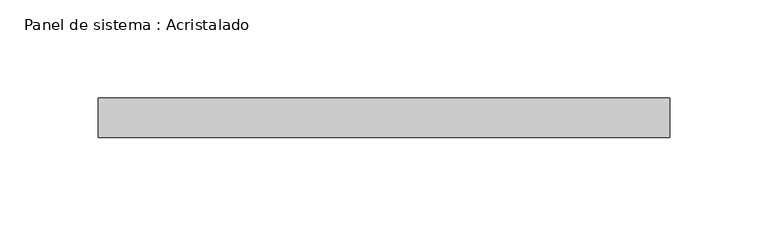
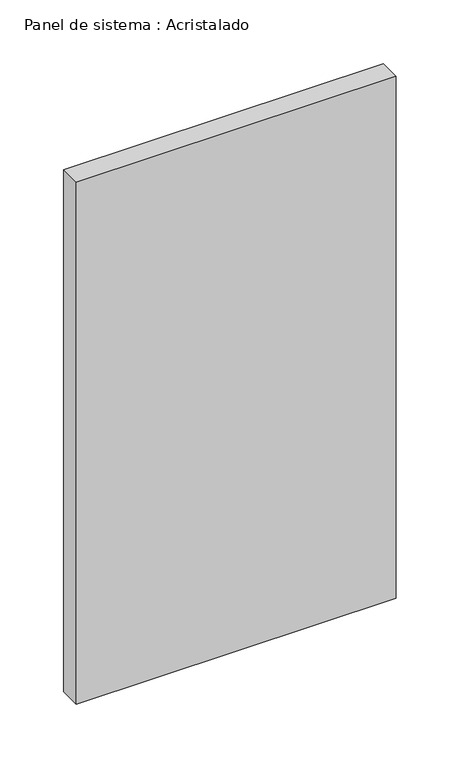
"""IFC4 building model written with IfcOpenShell, lengths in millimetres: plate geometry, Panel de sistema : Acristalado."""

import ifcopenshell
import ifcopenshell.guid

model = None  # the IFC model being written
_history = None  # IfcOwnerHistory: only IFC2X3 demands one
_inside = {}  # id of a spatial element -> (the spatial element, [elements in it])
_under = {}  # id of a project, library or spatial element -> (it, [spatial elements below it])
_declared = {}  # id of a project -> (the project, [libraries it declares])
_typed = {}  # id of a type object -> (the type object, [elements of that type])
_made_of = {}  # id of a material, layer set ... -> (it, [elements and type objects made of it])


def new_model(schema):
    """Start an empty IFC model of exactly this schema.

    Asked for "IFC4X3", IfcOpenShell would pick the latest addendum, in which some entities
    have other attributes; the version numbers below select the first issue.
    IFC2X3 requires an IfcOwnerHistory on every rooted entity: one is made here for all.
    """
    global model, _history
    if schema == "IFC4X3":
        model = ifcopenshell.file(schema_version=(4, 3, 0, 0))
    else:
        model = ifcopenshell.file(schema=schema)
    _inside.clear()
    _under.clear()
    _declared.clear()
    _typed.clear()
    _made_of.clear()
    _history = None
    if model.schema == "IFC2X3":
        org = make("IfcOrganization", Name="unknown")
        user = make(
            "IfcPersonAndOrganization",
            ThePerson=make("IfcPerson", FamilyName="unknown"),
            TheOrganization=org,
        )
        app = make(
            "IfcApplication",
            ApplicationDeveloper=org,
            Version="unknown",
            ApplicationFullName="unknown",
            ApplicationIdentifier="unknown",
        )
        _history = make(
            "IfcOwnerHistory",
            OwningUser=user,
            OwningApplication=app,
            ChangeAction="ADDED",
            CreationDate=0,
        )
    return model


def make(cls, **values):
    """One entity of the class cls with the attributes given. An attribute that is None is left unset."""
    return model.create_entity(
        cls, **{name: value for name, value in values.items() if value is not None}
    )


def rooted(cls, **values):
    """An entity with a GlobalId (a new one), such as an element, a storey or a relation."""
    return make(cls, GlobalId=ifcopenshell.guid.new(), OwnerHistory=_history, **values)


def si_unit(unit_type, name, prefix=None):
    """IfcSIUnit, for example si_unit("LENGTHUNIT", "METRE", prefix="MILLI")."""
    return make("IfcSIUnit", UnitType=unit_type, Prefix=prefix, Name=name)


def assignment(units):
    """IfcUnitAssignment: the units of a project."""
    return None if units is None else make("IfcUnitAssignment", Units=units)


def point(xyz):
    """IfcCartesianPoint."""
    return None if xyz is None else make("IfcCartesianPoint", Coordinates=xyz)


def direction(xyz):
    """IfcDirection."""
    return None if xyz is None else make("IfcDirection", DirectionRatios=xyz)


def frame(location, z_axis=None, x_axis=None):
    """IfcAxis2Placement3D, a coordinate frame: its origin and axes. An axis left out is left unset."""
    return make(
        "IfcAxis2Placement3D",
        Location=point(location),
        Axis=direction(z_axis),
        RefDirection=direction(x_axis),
    )


def origin():
    """The frame at (0, 0, 0) with its axes left unset."""
    return frame((0.0, 0.0, 0.0))


def origin_with_axes():
    """The frame at (0, 0, 0) with the z axis (0, 0, 1) and the x axis (1, 0, 0) written out."""
    return frame((0.0, 0.0, 0.0), z_axis=(0.0, 0.0, 1.0), x_axis=(1.0, 0.0, 0.0))


def place(relative_to, where):
    """IfcLocalPlacement: puts the frame where relative to a parent placement (None: the world)."""
    return make(
        "IfcLocalPlacement", PlacementRelTo=relative_to, RelativePlacement=where
    )


def context(
    kind, dimensions, precision=None, world=None, true_north=None, identifier=None
):
    """IfcGeometricRepresentationContext, for example the 3D "Model" context."""
    return make(
        "IfcGeometricRepresentationContext",
        ContextIdentifier=identifier,
        ContextType=kind,
        CoordinateSpaceDimension=dimensions,
        Precision=precision,
        WorldCoordinateSystem=world,
        TrueNorth=true_north,
    )


def project(units=None, contexts=None):
    """IfcProject with its units and contexts."""
    return rooted(
        "IfcProject",
        Name="project",
        RepresentationContexts=contexts,
        UnitsInContext=assignment(units),
    )


def spatial(cls, under=None, at=None, **own):
    """A site, building, storey or space (cls), placed at a placement, below another one or the project."""
    s = rooted(cls, ObjectPlacement=at, **own)
    if under is not None:
        _under.setdefault(under.id(), (under, []))[1].append(s)
    return s


def polyline(points):
    """IfcPolyline through the points."""
    return make("IfcPolyline", Points=[point(p) for p in points])


def outline(outer, holes=None, kind="AREA"):
    """IfcArbitraryClosedProfileDef: a profile drawn as a closed curve; with holes, ...WithVoids."""
    if holes is None:
        return make("IfcArbitraryClosedProfileDef", ProfileType=kind, OuterCurve=outer)
    return make(
        "IfcArbitraryProfileDefWithVoids",
        ProfileType=kind,
        OuterCurve=outer,
        InnerCurves=holes,
    )


def extrude(swept, where, along, depth):
    """IfcExtrudedAreaSolid: the profile swept, set in the frame where, extruded along a direction by depth."""
    return make(
        "IfcExtrudedAreaSolid",
        SweptArea=swept,
        Position=where,
        ExtrudedDirection=direction(along),
        Depth=depth,
    )


def shape(context_of_items, identifier, shape_type, items):
    """IfcShapeRepresentation: the items that make up one representation, for example the "Body"."""
    return make(
        "IfcShapeRepresentation",
        ContextOfItems=context_of_items,
        RepresentationIdentifier=identifier,
        RepresentationType=shape_type,
        Items=items,
    )


def source(mapping_origin, context_of_items, identifier, shape_type, items):
    """IfcRepresentationMap: a shape defined once, which mapped items show again and again."""
    return make(
        "IfcRepresentationMap",
        MappingOrigin=mapping_origin,
        MappedRepresentation=shape(context_of_items, identifier, shape_type, items),
    )


def transform(
    local_origin,
    x_axis=None,
    y_axis=None,
    z_axis=None,
    scale=None,
    scale2=None,
    scale3=None,
    uniform=True,
):
    """IfcCartesianTransformationOperator3D, or its non-uniform kind. x_axis, y_axis, z_axis: its Axis1, 2, 3."""
    if uniform:
        return make(
            "IfcCartesianTransformationOperator3D",
            Axis1=direction(x_axis),
            Axis2=direction(y_axis),
            LocalOrigin=point(local_origin),
            Scale=scale,
            Axis3=direction(z_axis),
        )
    return make(
        "IfcCartesianTransformationOperator3DnonUniform",
        Axis1=direction(x_axis),
        Axis2=direction(y_axis),
        LocalOrigin=point(local_origin),
        Scale=scale,
        Axis3=direction(z_axis),
        Scale2=scale2,
        Scale3=scale3,
    )


def mapped(mapping_source, mapping_target):
    """IfcMappedItem: shows the shape of a source again, moved by a transform."""
    return make(
        "IfcMappedItem", MappingSource=mapping_source, MappingTarget=mapping_target
    )


def made_of(thing, what):
    """Note that an element or type object is made of a material, layer set ...; save() writes the relation."""
    if what is not None:
        _made_of.setdefault(what.id(), (what, []))[1].append(thing)
    return thing


def element(
    cls,
    number,
    at=None,
    inside=None,
    cuts=None,
    type_object=None,
    material=None,
    context=None,
    identifier="Body",
    shape_type=None,
    held_by="IfcProductDefinitionShape",
    body=None,
    shapes=None,
    **own,
):
    """One element of the class cls, such as IfcWall. Its Tag is "e" and its number.

    at: its placement. inside: the storey or other place that contains it. cuts: it is an
    opening in that element (IfcRelVoidsElement). A single representation is given by context,
    identifier, shape_type and body (its items); several are given by shapes. held_by: the class
    of the entity that holds the representations. save() writes the other relations.
    """
    e = rooted(cls, Tag="e%d" % number, ObjectPlacement=at, **own)
    if body is not None:
        shapes = [shape(context, identifier, shape_type, body)]
    if shapes is not None:
        e.Representation = make(held_by, Representations=shapes)
    if inside is not None:
        _inside.setdefault(inside.id(), (inside, []))[1].append(e)
    if cuts is not None:
        rooted(
            "IfcRelVoidsElement", RelatingBuildingElement=cuts, RelatedOpeningElement=e
        )
    if type_object is not None:
        _typed.setdefault(type_object.id(), (type_object, []))[1].append(e)
    return made_of(e, material)


def aggregate(whole, parts):
    """IfcRelAggregates: a whole, such as a stair, and the parts it consists of."""
    return rooted("IfcRelAggregates", RelatingObject=whole, RelatedObjects=parts)


def save(model, path):
    """Write the relations noted so far, then the file.

    IfcRelAggregates (storeys below a building ...), IfcRelContainedInSpatialStructure (elements
    in a storey), IfcRelDefinesByType, IfcRelAssociatesMaterial and IfcRelDeclares: one each for
    every whole, place, type object, material and project.
    """
    for whole, parts in _under.values():
        aggregate(whole, parts)
    for where, things in _inside.values():
        rooted(
            "IfcRelContainedInSpatialStructure",
            RelatedElements=things,
            RelatingStructure=where,
        )
    for kind, things in _typed.values():
        rooted("IfcRelDefinesByType", RelatedObjects=things, RelatingType=kind)
    for what, things in _made_of.values():
        rooted("IfcRelAssociatesMaterial", RelatedObjects=things, RelatingMaterial=what)
    for by, libraries in _declared.values():
        rooted("IfcRelDeclares", RelatingContext=by, RelatedDefinitions=libraries)
    model.write(path)


def panel_de_sistema_acristalado_b7f8f5ed(model_context):
    return source(origin(), model_context, "Body", "SweptSolid", [
        extrude(outline(polyline([(145.0, -10.0), (-145.0, -10.0), (-145.0, 10.0), (145.0, 10.0), (145.0, -10.0)])), origin_with_axes(), (0.0, 0.0, 1.0), 500.0),
    ])


if __name__ == "__main__":
    model = new_model("IFC4")
    model_context = context("Model", 3, world=origin())
    ifc_project = project(units=[si_unit("LENGTHUNIT", "METRE", prefix="MILLI")], contexts=[model_context])
    site = spatial("IfcSite", under=ifc_project)
    building = spatial("IfcBuilding", under=site)
    placement = place(None, origin())
    panel_de_sistema_acristalado_shape = panel_de_sistema_acristalado_b7f8f5ed(model_context)
    element("IfcPlate", 1, ObjectType="Panel de sistema : Acristalado", at=placement, inside=building, context=model_context, shape_type="MappedRepresentation", body=[
        mapped(panel_de_sistema_acristalado_shape, transform((0.0, 0.0, 0.0), x_axis=(1.0, 0.0, 0.0), y_axis=(0.0, 1.0, 0.0), z_axis=(0.0, 0.0, 1.0))),
    ])
    save(model, "model.ifc")
